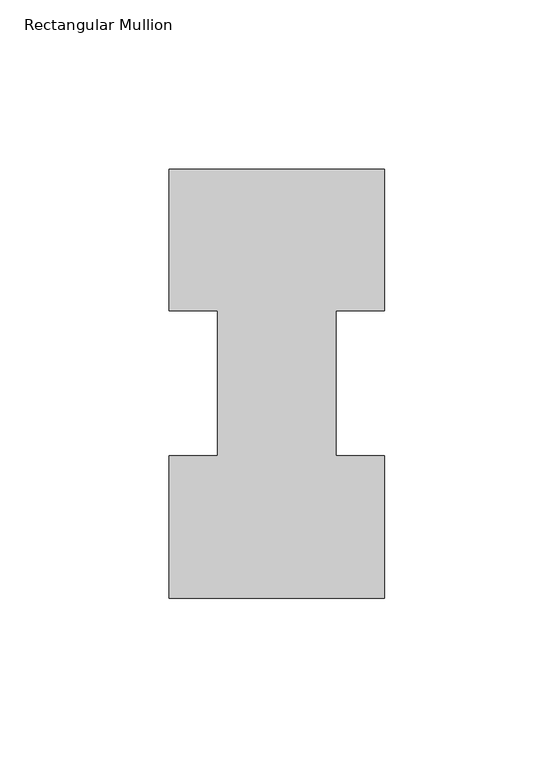
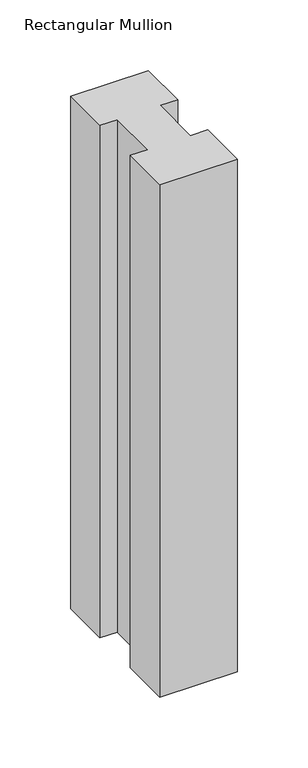
"""IFC4 building model written with IfcOpenShell, lengths in millimetres: member geometry, Rectangular Mullion."""

from ifc_helpers import new_model, si_unit, frame, origin, place, context, project, spatial, polyline, outline, extrude, source, transform, mapped, element, save


def rectangular_mullion_c94c2815(model_context):
    return source(origin(), model_context, "Body", "SweptSolid", [
        extrude(outline(polyline([(0.0, 133.3825437), (0.0, 91.7773437), (-14.2748, 91.7773437), (-14.2748, 48.9275437), (0.0, 48.9275437), (0.0, 6.8905437), (-63.5, 6.8905437), (-63.5, 48.9275437), (-49.2125, 48.9275437), (-49.2125, 91.7773437), (-63.5, 91.7773437), (-63.5, 133.3825437), (0.0, 133.3825437)])), frame((0.0, 0.0, -443.4099167), z_axis=(0.0, 0.0, 1.0), x_axis=(1.0, 0.0, 0.0)), (0.0, 0.0, 1.0), 443.4099167),
    ])


if __name__ == "__main__":
    model = new_model("IFC4")
    model_context = context("Model", 3, world=origin())
    ifc_project = project(units=[si_unit("LENGTHUNIT", "METRE", prefix="MILLI")], contexts=[model_context])
    site = spatial("IfcSite", under=ifc_project)
    building = spatial("IfcBuilding", under=site)
    placement = place(None, origin())
    rectangular_mullion_shape = rectangular_mullion_c94c2815(model_context)
    element("IfcMember", 1, ObjectType="Rectangular Mullion", at=placement, inside=building, context=model_context, shape_type="MappedRepresentation", body=[
        mapped(rectangular_mullion_shape, transform((0.0, 0.0, 0.0), x_axis=(1.0, 0.0, 0.0), y_axis=(0.0, 1.0, 0.0), z_axis=(0.0, 0.0, 1.0))),
    ])
    save(model, "model.ifc")
